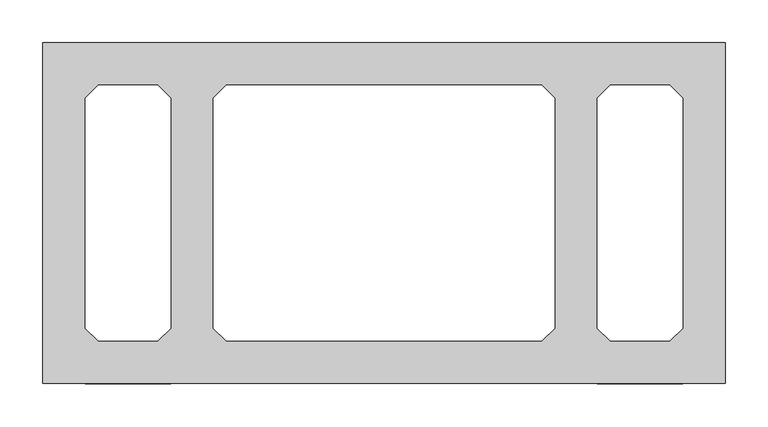
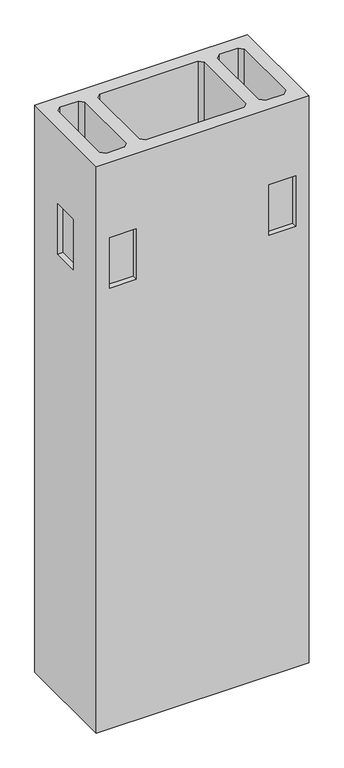
"""IFC4 building model written with IfcOpenShell, lengths in millimetres: proxy geometry."""

from ifc_helpers import new_model, si_unit, origin, place, context, project, spatial, faceted_brep, source, transform, mapped, element, save


def specialty_equipment_c09e8bee(model_context):
    return source(origin(), model_context, "Body", "Brep", [
        faceted_brep([(-400.0, -200.0, 2250.0), (400.0, -200.0, 2250.0), (400.0, 200.0, 2250.0), (-400.0, 200.0, 2250.0), (-335.0, 150.0, 2250.0), (-265.0, 150.0, 2250.0), (-250.0, 135.0, 2250.0), (-250.0, -135.0, 2250.0), (-265.0, -150.0, 2250.0), (-335.0, -150.0, 2250.0), (-350.0, -135.0, 2250.0), (-350.0, 135.0, 2250.0), (-185.0, 150.0, 2250.0), (185.0, 150.0, 2250.0), (200.0, 135.0, 2250.0), (200.0, -135.0, 2250.0), (185.0, -150.0, 2250.0), (-185.0, -150.0, 2250.0), (-200.0, -135.0, 2250.0), (-200.0, 135.0, 2250.0), (265.0, 150.0, 2250.0), (335.0, 150.0, 2250.0), (350.0, 135.0, 2250.0), (350.0, -135.0, 2250.0), (335.0, -150.0, 2250.0), (265.0, -150.0, 2250.0), (250.0, -135.0, 2250.0), (250.0, 135.0, 2250.0), (-400.0, -200.0, 0.0), (-400.0, 200.0, 0.0), (400.0, 200.0, 0.0), (400.0, -200.0, 0.0), (-335.0, 150.0, 0.0), (-350.0, 135.0, 0.0), (-350.0, -135.0, 0.0), (-335.0, -150.0, 0.0), (-265.0, -150.0, 0.0), (-250.0, -135.0, 0.0), (-250.0, 135.0, 0.0), (-265.0, 150.0, 0.0), (-185.0, 150.0, 0.0), (-200.0, 135.0, 0.0), (-200.0, -135.0, 0.0), (-185.0, -150.0, 0.0), (185.0, -150.0, 0.0), (200.0, -135.0, 0.0), (200.0, 135.0, 0.0), (185.0, 150.0, 0.0), (265.0, 150.0, 0.0), (250.0, 135.0, 0.0), (250.0, -135.0, 0.0), (265.0, -150.0, 0.0), (335.0, -150.0, 0.0), (350.0, -135.0, 0.0), (350.0, 135.0, 0.0), (335.0, 150.0, 0.0), (-250.0, -200.0, 1950.0), (-250.0, -200.0, 1750.0), (-350.0, -200.0, 1750.0), (-350.0, -200.0, 1950.0), (250.0, -200.0, 1750.0), (250.0, -200.0, 1950.0), (350.0, -200.0, 1950.0), (350.0, -200.0, 1750.0), (400.0, -50.0, 1750.0), (400.0, -50.0, 1950.0), (400.0, 50.0, 1950.0), (400.0, 50.0, 1750.0), (-250.0, 200.0, 1750.0), (-250.0, 200.0, 1950.0), (-350.0, 200.0, 1950.0), (-350.0, 200.0, 1750.0), (250.0, 200.0, 1950.0), (250.0, 200.0, 1750.0), (350.0, 200.0, 1750.0), (350.0, 200.0, 1950.0), (-400.0, -50.0, 1950.0), (-400.0, -50.0, 1750.0), (-400.0, 50.0, 1750.0), (-400.0, 50.0, 1950.0), (-250.0, 180.0, 1950.0), (-250.0, 180.0, 1750.0), (-350.0, 180.0, 1750.0), (-350.0, 180.0, 1950.0), (250.0, 180.0, 1950.0), (350.0, 180.0, 1950.0), (350.0, 180.0, 1750.0), (250.0, 180.0, 1750.0), (-250.0, -180.0, 1950.0), (-350.0, -180.0, 1950.0), (-350.0, -180.0, 1750.0), (-250.0, -180.0, 1750.0), (250.0, -180.0, 1950.0), (250.0, -180.0, 1750.0), (350.0, -180.0, 1750.0), (350.0, -180.0, 1950.0), (-380.0, -50.0, 1950.0), (-380.0, 50.0, 1950.0), (-380.0, 50.0, 1750.0), (-380.0, -50.0, 1750.0), (380.0, -50.0, 1950.0), (380.0, -50.0, 1750.0), (380.0, 50.0, 1750.0), (380.0, 50.0, 1950.0)], [[[0, 1, 2, 3], [4, 5, 6, 7, 8, 9, 10, 11], [12, 13, 14, 15, 16, 17, 18, 19], [20, 21, 22, 23, 24, 25, 26, 27]], [[28, 29, 30, 31], [32, 33, 34, 35, 36, 37, 38, 39], [40, 41, 42, 43, 44, 45, 46, 47], [48, 49, 50, 51, 52, 53, 54, 55]], [[1, 0, 28, 31], [56, 57, 58, 59], [60, 61, 62, 63]], [[2, 1, 31, 30], [64, 65, 66, 67]], [[3, 2, 30, 29], [68, 69, 70, 71], [72, 73, 74, 75]], [[0, 3, 29, 28], [76, 77, 78, 79]], [[5, 4, 32, 39]], [[6, 5, 39, 38]], [[7, 6, 38, 37]], [[8, 7, 37, 36]], [[9, 8, 36, 35]], [[10, 9, 35, 34]], [[11, 10, 34, 33]], [[4, 11, 33, 32]], [[13, 12, 40, 47]], [[14, 13, 47, 46]], [[15, 14, 46, 45]], [[16, 15, 45, 44]], [[17, 16, 44, 43]], [[18, 17, 43, 42]], [[19, 18, 42, 41]], [[12, 19, 41, 40]], [[21, 20, 48, 55]], [[22, 21, 55, 54]], [[23, 22, 54, 53]], [[24, 23, 53, 52]], [[25, 24, 52, 51]], [[26, 25, 51, 50]], [[27, 26, 50, 49]], [[20, 27, 49, 48]], [[80, 81, 82, 83]], [[81, 80, 69, 68]], [[82, 81, 68, 71]], [[83, 82, 71, 70]], [[80, 83, 70, 69]], [[84, 85, 86, 87]], [[84, 87, 73, 72]], [[87, 86, 74, 73]], [[86, 85, 75, 74]], [[85, 84, 72, 75]], [[88, 89, 90, 91]], [[88, 91, 57, 56]], [[91, 90, 58, 57]], [[90, 89, 59, 58]], [[89, 88, 56, 59]], [[92, 93, 94, 95]], [[93, 92, 61, 60]], [[94, 93, 60, 63]], [[95, 94, 63, 62]], [[92, 95, 62, 61]], [[96, 97, 98, 99]], [[96, 99, 77, 76]], [[99, 98, 78, 77]], [[98, 97, 79, 78]], [[97, 96, 76, 79]], [[100, 101, 102, 103]], [[101, 100, 65, 64]], [[102, 101, 64, 67]], [[103, 102, 67, 66]], [[100, 103, 66, 65]]]),
    ])


if __name__ == "__main__":
    model = new_model("IFC4")
    model_context = context("Model", 3, world=origin())
    ifc_project = project(units=[si_unit("LENGTHUNIT", "METRE", prefix="MILLI")], contexts=[model_context])
    site = spatial("IfcSite", under=ifc_project)
    building = spatial("IfcBuilding", under=site)
    placement = place(None, origin())
    specialty_equipment_shape = specialty_equipment_c09e8bee(model_context)
    element("IfcBuildingElementProxy", 1, Name="Specialty Equipment", at=placement, inside=building, context=model_context, shape_type="MappedRepresentation", body=[
        mapped(specialty_equipment_shape, transform((0.0, 0.0, 0.0), x_axis=(1.0, 0.0, 0.0), y_axis=(0.0, 1.0, 0.0), z_axis=(0.0, 0.0, 1.0))),
    ])
    save(model, "model.ifc")
